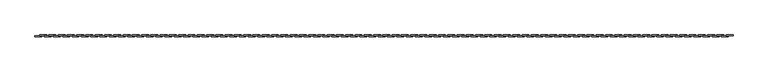
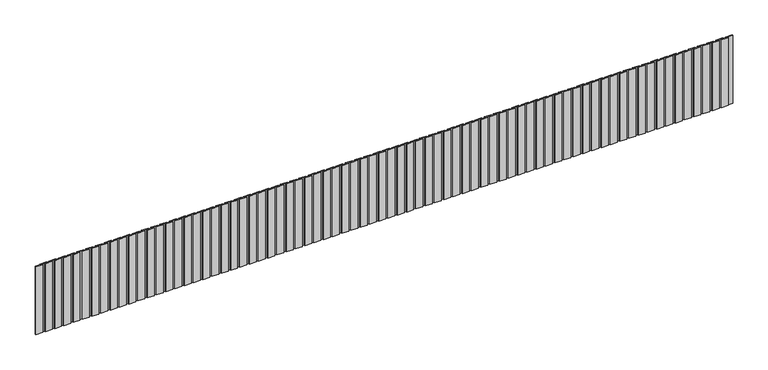
"""IFC4 building model written with IfcOpenShell, lengths in millimetres: geographic element geometry."""

import ifcopenshell
import ifcopenshell.guid

model = None  # the IFC model being written
_history = None  # IfcOwnerHistory: only IFC2X3 demands one
_inside = {}  # id of a spatial element -> (the spatial element, [elements in it])
_under = {}  # id of a project, library or spatial element -> (it, [spatial elements below it])
_declared = {}  # id of a project -> (the project, [libraries it declares])
_typed = {}  # id of a type object -> (the type object, [elements of that type])
_made_of = {}  # id of a material, layer set ... -> (it, [elements and type objects made of it])


def new_model(schema):
    """Start an empty IFC model of exactly this schema.

    Asked for "IFC4X3", IfcOpenShell would pick the latest addendum, in which some entities
    have other attributes; the version numbers below select the first issue.
    IFC2X3 requires an IfcOwnerHistory on every rooted entity: one is made here for all.
    """
    global model, _history
    if schema == "IFC4X3":
        model = ifcopenshell.file(schema_version=(4, 3, 0, 0))
    else:
        model = ifcopenshell.file(schema=schema)
    _inside.clear()
    _under.clear()
    _declared.clear()
    _typed.clear()
    _made_of.clear()
    _history = None
    if model.schema == "IFC2X3":
        org = make("IfcOrganization", Name="unknown")
        user = make(
            "IfcPersonAndOrganization",
            ThePerson=make("IfcPerson", FamilyName="unknown"),
            TheOrganization=org,
        )
        app = make(
            "IfcApplication",
            ApplicationDeveloper=org,
            Version="unknown",
            ApplicationFullName="unknown",
            ApplicationIdentifier="unknown",
        )
        _history = make(
            "IfcOwnerHistory",
            OwningUser=user,
            OwningApplication=app,
            ChangeAction="ADDED",
            CreationDate=0,
        )
    return model


def make(cls, **values):
    """One entity of the class cls with the attributes given. An attribute that is None is left unset."""
    return model.create_entity(
        cls, **{name: value for name, value in values.items() if value is not None}
    )


def rooted(cls, **values):
    """An entity with a GlobalId (a new one), such as an element, a storey or a relation."""
    return make(cls, GlobalId=ifcopenshell.guid.new(), OwnerHistory=_history, **values)


def si_unit(unit_type, name, prefix=None):
    """IfcSIUnit, for example si_unit("LENGTHUNIT", "METRE", prefix="MILLI")."""
    return make("IfcSIUnit", UnitType=unit_type, Prefix=prefix, Name=name)


def assignment(units):
    """IfcUnitAssignment: the units of a project."""
    return None if units is None else make("IfcUnitAssignment", Units=units)


def point(xyz):
    """IfcCartesianPoint."""
    return None if xyz is None else make("IfcCartesianPoint", Coordinates=xyz)


def direction(xyz):
    """IfcDirection."""
    return None if xyz is None else make("IfcDirection", DirectionRatios=xyz)


def frame(location, z_axis=None, x_axis=None):
    """IfcAxis2Placement3D, a coordinate frame: its origin and axes. An axis left out is left unset."""
    return make(
        "IfcAxis2Placement3D",
        Location=point(location),
        Axis=direction(z_axis),
        RefDirection=direction(x_axis),
    )


def origin():
    """The frame at (0, 0, 0) with its axes left unset."""
    return frame((0.0, 0.0, 0.0))


def place(relative_to, where):
    """IfcLocalPlacement: puts the frame where relative to a parent placement (None: the world)."""
    return make(
        "IfcLocalPlacement", PlacementRelTo=relative_to, RelativePlacement=where
    )


def context(
    kind, dimensions, precision=None, world=None, true_north=None, identifier=None
):
    """IfcGeometricRepresentationContext, for example the 3D "Model" context."""
    return make(
        "IfcGeometricRepresentationContext",
        ContextIdentifier=identifier,
        ContextType=kind,
        CoordinateSpaceDimension=dimensions,
        Precision=precision,
        WorldCoordinateSystem=world,
        TrueNorth=true_north,
    )


def project(units=None, contexts=None):
    """IfcProject with its units and contexts."""
    return rooted(
        "IfcProject",
        Name="project",
        RepresentationContexts=contexts,
        UnitsInContext=assignment(units),
    )


def spatial(cls, under=None, at=None, **own):
    """A site, building, storey or space (cls), placed at a placement, below another one or the project."""
    s = rooted(cls, ObjectPlacement=at, **own)
    if under is not None:
        _under.setdefault(under.id(), (under, []))[1].append(s)
    return s


def polyline(points):
    """IfcPolyline through the points."""
    return make("IfcPolyline", Points=[point(p) for p in points])


def outline(outer, holes=None, kind="AREA"):
    """IfcArbitraryClosedProfileDef: a profile drawn as a closed curve; with holes, ...WithVoids."""
    if holes is None:
        return make("IfcArbitraryClosedProfileDef", ProfileType=kind, OuterCurve=outer)
    return make(
        "IfcArbitraryProfileDefWithVoids",
        ProfileType=kind,
        OuterCurve=outer,
        InnerCurves=holes,
    )


def extrude(swept, where, along, depth):
    """IfcExtrudedAreaSolid: the profile swept, set in the frame where, extruded along a direction by depth."""
    return make(
        "IfcExtrudedAreaSolid",
        SweptArea=swept,
        Position=where,
        ExtrudedDirection=direction(along),
        Depth=depth,
    )


def shape(context_of_items, identifier, shape_type, items):
    """IfcShapeRepresentation: the items that make up one representation, for example the "Body"."""
    return make(
        "IfcShapeRepresentation",
        ContextOfItems=context_of_items,
        RepresentationIdentifier=identifier,
        RepresentationType=shape_type,
        Items=items,
    )


def source(mapping_origin, context_of_items, identifier, shape_type, items):
    """IfcRepresentationMap: a shape defined once, which mapped items show again and again."""
    return make(
        "IfcRepresentationMap",
        MappingOrigin=mapping_origin,
        MappedRepresentation=shape(context_of_items, identifier, shape_type, items),
    )


def transform(
    local_origin,
    x_axis=None,
    y_axis=None,
    z_axis=None,
    scale=None,
    scale2=None,
    scale3=None,
    uniform=True,
):
    """IfcCartesianTransformationOperator3D, or its non-uniform kind. x_axis, y_axis, z_axis: its Axis1, 2, 3."""
    if uniform:
        return make(
            "IfcCartesianTransformationOperator3D",
            Axis1=direction(x_axis),
            Axis2=direction(y_axis),
            LocalOrigin=point(local_origin),
            Scale=scale,
            Axis3=direction(z_axis),
        )
    return make(
        "IfcCartesianTransformationOperator3DnonUniform",
        Axis1=direction(x_axis),
        Axis2=direction(y_axis),
        LocalOrigin=point(local_origin),
        Scale=scale,
        Axis3=direction(z_axis),
        Scale2=scale2,
        Scale3=scale3,
    )


def mapped(mapping_source, mapping_target):
    """IfcMappedItem: shows the shape of a source again, moved by a transform."""
    return make(
        "IfcMappedItem", MappingSource=mapping_source, MappingTarget=mapping_target
    )


def made_of(thing, what):
    """Note that an element or type object is made of a material, layer set ...; save() writes the relation."""
    if what is not None:
        _made_of.setdefault(what.id(), (what, []))[1].append(thing)
    return thing


def element(
    cls,
    number,
    at=None,
    inside=None,
    cuts=None,
    type_object=None,
    material=None,
    context=None,
    identifier="Body",
    shape_type=None,
    held_by="IfcProductDefinitionShape",
    body=None,
    shapes=None,
    **own,
):
    """One element of the class cls, such as IfcWall. Its Tag is "e" and its number.

    at: its placement. inside: the storey or other place that contains it. cuts: it is an
    opening in that element (IfcRelVoidsElement). A single representation is given by context,
    identifier, shape_type and body (its items); several are given by shapes. held_by: the class
    of the entity that holds the representations. save() writes the other relations.
    """
    e = rooted(cls, Tag="e%d" % number, ObjectPlacement=at, **own)
    if body is not None:
        shapes = [shape(context, identifier, shape_type, body)]
    if shapes is not None:
        e.Representation = make(held_by, Representations=shapes)
    if inside is not None:
        _inside.setdefault(inside.id(), (inside, []))[1].append(e)
    if cuts is not None:
        rooted(
            "IfcRelVoidsElement", RelatingBuildingElement=cuts, RelatedOpeningElement=e
        )
    if type_object is not None:
        _typed.setdefault(type_object.id(), (type_object, []))[1].append(e)
    return made_of(e, material)


def aggregate(whole, parts):
    """IfcRelAggregates: a whole, such as a stair, and the parts it consists of."""
    return rooted("IfcRelAggregates", RelatingObject=whole, RelatedObjects=parts)


def save(model, path):
    """Write the relations noted so far, then the file.

    IfcRelAggregates (storeys below a building ...), IfcRelContainedInSpatialStructure (elements
    in a storey), IfcRelDefinesByType, IfcRelAssociatesMaterial and IfcRelDeclares: one each for
    every whole, place, type object, material and project.
    """
    for whole, parts in _under.values():
        aggregate(whole, parts)
    for where, things in _inside.values():
        rooted(
            "IfcRelContainedInSpatialStructure",
            RelatedElements=things,
            RelatingStructure=where,
        )
    for kind, things in _typed.values():
        rooted("IfcRelDefinesByType", RelatedObjects=things, RelatingType=kind)
    for what, things in _made_of.values():
        rooted("IfcRelAssociatesMaterial", RelatedObjects=things, RelatingMaterial=what)
    for by, libraries in _declared.values():
        rooted("IfcRelDeclares", RelatingContext=by, RelatedDefinitions=libraries)
    model.write(path)


def geographic_element_c682d365(model_context):
    return source(origin(), model_context, "Body", "SweptSolid", [
        extrude(outline(polyline([(46050.6871344, 20.0), (45900.3435672, 20.0), (45900.3435672, 40.0), (46050.6871344, 40.0), (46050.6871344, 20.0)])), frame((0.0, 0.0, 200.0), z_axis=(0.0, 0.0, 1.0), x_axis=(1.0, 0.0, 0.0)), (0.0, 0.0, 1.0), 1550.0),
        extrude(outline(polyline([(45950.3435672, 0.0), (45800.0, 0.0), (45800.0, 20.0), (45950.3435672, 20.0), (45950.3435672, 0.0)])), frame((0.0, 0.0, 200.0), z_axis=(0.0, 0.0, 1.0), x_axis=(1.0, 0.0, 0.0)), (0.0, 0.0, 1.0), 1550.0),
        extrude(outline(polyline([(45850.6871344, 20.0), (45700.3435672, 20.0), (45700.3435672, 40.0), (45850.6871344, 40.0), (45850.6871344, 20.0)])), frame((0.0, 0.0, 200.0), z_axis=(0.0, 0.0, 1.0), x_axis=(1.0, 0.0, 0.0)), (0.0, 0.0, 1.0), 1550.0),
        extrude(outline(polyline([(45750.3435672, 0.0), (45600.0, 0.0), (45600.0, 20.0), (45750.3435672, 20.0), (45750.3435672, 0.0)])), frame((0.0, 0.0, 200.0), z_axis=(0.0, 0.0, 1.0), x_axis=(1.0, 0.0, 0.0)), (0.0, 0.0, 1.0), 1550.0),
        extrude(outline(polyline([(45650.6871344, 20.0), (45500.3435672, 20.0), (45500.3435672, 40.0), (45650.6871344, 40.0), (45650.6871344, 20.0)])), frame((0.0, 0.0, 200.0), z_axis=(0.0, 0.0, 1.0), x_axis=(1.0, 0.0, 0.0)), (0.0, 0.0, 1.0), 1550.0),
        extrude(outline(polyline([(45550.3435672, 0.0), (45400.0, 0.0), (45400.0, 20.0), (45550.3435672, 20.0), (45550.3435672, 0.0)])), frame((0.0, 0.0, 200.0), z_axis=(0.0, 0.0, 1.0), x_axis=(1.0, 0.0, 0.0)), (0.0, 0.0, 1.0), 1550.0),
        extrude(outline(polyline([(45450.6871344, 20.0), (45300.3435672, 20.0), (45300.3435672, 40.0), (45450.6871344, 40.0), (45450.6871344, 20.0)])), frame((0.0, 0.0, 200.0), z_axis=(0.0, 0.0, 1.0), x_axis=(1.0, 0.0, 0.0)), (0.0, 0.0, 1.0), 1550.0),
        extrude(outline(polyline([(45350.3435672, 0.0), (45200.0, 0.0), (45200.0, 20.0), (45350.3435672, 20.0), (45350.3435672, 0.0)])), frame((0.0, 0.0, 200.0), z_axis=(0.0, 0.0, 1.0), x_axis=(1.0, 0.0, 0.0)), (0.0, 0.0, 1.0), 1550.0),
        extrude(outline(polyline([(45250.6871344, 20.0), (45100.3435672, 20.0), (45100.3435672, 40.0), (45250.6871344, 40.0), (45250.6871344, 20.0)])), frame((0.0, 0.0, 200.0), z_axis=(0.0, 0.0, 1.0), x_axis=(1.0, 0.0, 0.0)), (0.0, 0.0, 1.0), 1550.0),
        extrude(outline(polyline([(45150.3435672, 0.0), (45000.0, 0.0), (45000.0, 20.0), (45150.3435672, 20.0), (45150.3435672, 0.0)])), frame((0.0, 0.0, 200.0), z_axis=(0.0, 0.0, 1.0), x_axis=(1.0, 0.0, 0.0)), (0.0, 0.0, 1.0), 1550.0),
        extrude(outline(polyline([(45050.6871344, 20.0), (44900.3435672, 20.0), (44900.3435672, 40.0), (45050.6871344, 40.0), (45050.6871344, 20.0)])), frame((0.0, 0.0, 200.0), z_axis=(0.0, 0.0, 1.0), x_axis=(1.0, 0.0, 0.0)), (0.0, 0.0, 1.0), 1550.0),
        extrude(outline(polyline([(44950.3435672, 0.0), (44800.0, 0.0), (44800.0, 20.0), (44950.3435672, 20.0), (44950.3435672, 0.0)])), frame((0.0, 0.0, 200.0), z_axis=(0.0, 0.0, 1.0), x_axis=(1.0, 0.0, 0.0)), (0.0, 0.0, 1.0), 1550.0),
        extrude(outline(polyline([(44850.6871344, 20.0), (44700.3435672, 20.0), (44700.3435672, 40.0), (44850.6871344, 40.0), (44850.6871344, 20.0)])), frame((0.0, 0.0, 200.0), z_axis=(0.0, 0.0, 1.0), x_axis=(1.0, 0.0, 0.0)), (0.0, 0.0, 1.0), 1550.0),
        extrude(outline(polyline([(44750.3435672, 0.0), (44600.0, 0.0), (44600.0, 20.0), (44750.3435672, 20.0), (44750.3435672, 0.0)])), frame((0.0, 0.0, 200.0), z_axis=(0.0, 0.0, 1.0), x_axis=(1.0, 0.0, 0.0)), (0.0, 0.0, 1.0), 1550.0),
        extrude(outline(polyline([(44650.6871344, 20.0), (44500.3435672, 20.0), (44500.3435672, 40.0), (44650.6871344, 40.0), (44650.6871344, 20.0)])), frame((0.0, 0.0, 200.0), z_axis=(0.0, 0.0, 1.0), x_axis=(1.0, 0.0, 0.0)), (0.0, 0.0, 1.0), 1550.0),
        extrude(outline(polyline([(44550.3435672, 0.0), (44400.0, 0.0), (44400.0, 20.0), (44550.3435672, 20.0), (44550.3435672, 0.0)])), frame((0.0, 0.0, 200.0), z_axis=(0.0, 0.0, 1.0), x_axis=(1.0, 0.0, 0.0)), (0.0, 0.0, 1.0), 1550.0),
        extrude(outline(polyline([(44450.6871344, 20.0), (44300.3435672, 20.0), (44300.3435672, 40.0), (44450.6871344, 40.0), (44450.6871344, 20.0)])), frame((0.0, 0.0, 200.0), z_axis=(0.0, 0.0, 1.0), x_axis=(1.0, 0.0, 0.0)), (0.0, 0.0, 1.0), 1550.0),
        extrude(outline(polyline([(44350.3435672, 0.0), (44200.0, 0.0), (44200.0, 20.0), (44350.3435672, 20.0), (44350.3435672, 0.0)])), frame((0.0, 0.0, 200.0), z_axis=(0.0, 0.0, 1.0), x_axis=(1.0, 0.0, 0.0)), (0.0, 0.0, 1.0), 1550.0),
        extrude(outline(polyline([(44250.6871344, 20.0), (44100.3435672, 20.0), (44100.3435672, 40.0), (44250.6871344, 40.0), (44250.6871344, 20.0)])), frame((0.0, 0.0, 200.0), z_axis=(0.0, 0.0, 1.0), x_axis=(1.0, 0.0, 0.0)), (0.0, 0.0, 1.0), 1550.0),
        extrude(outline(polyline([(44150.3435672, 0.0), (44000.0, 0.0), (44000.0, 20.0), (44150.3435672, 20.0), (44150.3435672, 0.0)])), frame((0.0, 0.0, 200.0), z_axis=(0.0, 0.0, 1.0), x_axis=(1.0, 0.0, 0.0)), (0.0, 0.0, 1.0), 1550.0),
        extrude(outline(polyline([(44050.6871344, 20.0), (43900.3435672, 20.0), (43900.3435672, 40.0), (44050.6871344, 40.0), (44050.6871344, 20.0)])), frame((0.0, 0.0, 200.0), z_axis=(0.0, 0.0, 1.0), x_axis=(1.0, 0.0, 0.0)), (0.0, 0.0, 1.0), 1550.0),
        extrude(outline(polyline([(43950.3435672, 0.0), (43800.0, 0.0), (43800.0, 20.0), (43950.3435672, 20.0), (43950.3435672, 0.0)])), frame((0.0, 0.0, 200.0), z_axis=(0.0, 0.0, 1.0), x_axis=(1.0, 0.0, 0.0)), (0.0, 0.0, 1.0), 1550.0),
        extrude(outline(polyline([(43850.6871344, 20.0), (43700.3435672, 20.0), (43700.3435672, 40.0), (43850.6871344, 40.0), (43850.6871344, 20.0)])), frame((0.0, 0.0, 200.0), z_axis=(0.0, 0.0, 1.0), x_axis=(1.0, 0.0, 0.0)), (0.0, 0.0, 1.0), 1550.0),
        extrude(outline(polyline([(43750.3435672, 0.0), (43600.0, 0.0), (43600.0, 20.0), (43750.3435672, 20.0), (43750.3435672, 0.0)])), frame((0.0, 0.0, 200.0), z_axis=(0.0, 0.0, 1.0), x_axis=(1.0, 0.0, 0.0)), (0.0, 0.0, 1.0), 1550.0),
        extrude(outline(polyline([(43650.6871344, 20.0), (43500.3435672, 20.0), (43500.3435672, 40.0), (43650.6871344, 40.0), (43650.6871344, 20.0)])), frame((0.0, 0.0, 200.0), z_axis=(0.0, 0.0, 1.0), x_axis=(1.0, 0.0, 0.0)), (0.0, 0.0, 1.0), 1550.0),
        extrude(outline(polyline([(43550.3435672, 0.0), (43400.0, 0.0), (43400.0, 20.0), (43550.3435672, 20.0), (43550.3435672, 0.0)])), frame((0.0, 0.0, 200.0), z_axis=(0.0, 0.0, 1.0), x_axis=(1.0, 0.0, 0.0)), (0.0, 0.0, 1.0), 1550.0),
        extrude(outline(polyline([(43450.6871344, 20.0), (43300.3435672, 20.0), (43300.3435672, 40.0), (43450.6871344, 40.0), (43450.6871344, 20.0)])), frame((0.0, 0.0, 200.0), z_axis=(0.0, 0.0, 1.0), x_axis=(1.0, 0.0, 0.0)), (0.0, 0.0, 1.0), 1550.0),
        extrude(outline(polyline([(43350.3435672, 0.0), (43200.0, 0.0), (43200.0, 20.0), (43350.3435672, 20.0), (43350.3435672, 0.0)])), frame((0.0, 0.0, 200.0), z_axis=(0.0, 0.0, 1.0), x_axis=(1.0, 0.0, 0.0)), (0.0, 0.0, 1.0), 1550.0),
        extrude(outline(polyline([(43250.6871344, 20.0), (43100.3435672, 20.0), (43100.3435672, 40.0), (43250.6871344, 40.0), (43250.6871344, 20.0)])), frame((0.0, 0.0, 200.0), z_axis=(0.0, 0.0, 1.0), x_axis=(1.0, 0.0, 0.0)), (0.0, 0.0, 1.0), 1550.0),
        extrude(outline(polyline([(43150.3435672, 0.0), (43000.0, 0.0), (43000.0, 20.0), (43150.3435672, 20.0), (43150.3435672, 0.0)])), frame((0.0, 0.0, 200.0), z_axis=(0.0, 0.0, 1.0), x_axis=(1.0, 0.0, 0.0)), (0.0, 0.0, 1.0), 1550.0),
        extrude(outline(polyline([(43050.6871344, 20.0), (42900.3435672, 20.0), (42900.3435672, 40.0), (43050.6871344, 40.0), (43050.6871344, 20.0)])), frame((0.0, 0.0, 200.0), z_axis=(0.0, 0.0, 1.0), x_axis=(1.0, 0.0, 0.0)), (0.0, 0.0, 1.0), 1550.0),
        extrude(outline(polyline([(42950.3435672, 0.0), (42800.0, 0.0), (42800.0, 20.0), (42950.3435672, 20.0), (42950.3435672, 0.0)])), frame((0.0, 0.0, 200.0), z_axis=(0.0, 0.0, 1.0), x_axis=(1.0, 0.0, 0.0)), (0.0, 0.0, 1.0), 1550.0),
        extrude(outline(polyline([(42850.6871344, 20.0), (42700.3435672, 20.0), (42700.3435672, 40.0), (42850.6871344, 40.0), (42850.6871344, 20.0)])), frame((0.0, 0.0, 200.0), z_axis=(0.0, 0.0, 1.0), x_axis=(1.0, 0.0, 0.0)), (0.0, 0.0, 1.0), 1550.0),
        extrude(outline(polyline([(42750.3435672, 0.0), (42600.0, 0.0), (42600.0, 20.0), (42750.3435672, 20.0), (42750.3435672, 0.0)])), frame((0.0, 0.0, 200.0), z_axis=(0.0, 0.0, 1.0), x_axis=(1.0, 0.0, 0.0)), (0.0, 0.0, 1.0), 1550.0),
        extrude(outline(polyline([(42650.6871344, 20.0), (42500.3435672, 20.0), (42500.3435672, 40.0), (42650.6871344, 40.0), (42650.6871344, 20.0)])), frame((0.0, 0.0, 200.0), z_axis=(0.0, 0.0, 1.0), x_axis=(1.0, 0.0, 0.0)), (0.0, 0.0, 1.0), 1550.0),
        extrude(outline(polyline([(42550.3435672, 0.0), (42400.0, 0.0), (42400.0, 20.0), (42550.3435672, 20.0), (42550.3435672, 0.0)])), frame((0.0, 0.0, 200.0), z_axis=(0.0, 0.0, 1.0), x_axis=(1.0, 0.0, 0.0)), (0.0, 0.0, 1.0), 1550.0),
        extrude(outline(polyline([(42450.6871344, 20.0), (42300.3435672, 20.0), (42300.3435672, 40.0), (42450.6871344, 40.0), (42450.6871344, 20.0)])), frame((0.0, 0.0, 200.0), z_axis=(0.0, 0.0, 1.0), x_axis=(1.0, 0.0, 0.0)), (0.0, 0.0, 1.0), 1550.0),
        extrude(outline(polyline([(42350.3435672, 0.0), (42200.0, 0.0), (42200.0, 20.0), (42350.3435672, 20.0), (42350.3435672, 0.0)])), frame((0.0, 0.0, 200.0), z_axis=(0.0, 0.0, 1.0), x_axis=(1.0, 0.0, 0.0)), (0.0, 0.0, 1.0), 1550.0),
        extrude(outline(polyline([(42250.6871344, 20.0), (42100.3435672, 20.0), (42100.3435672, 40.0), (42250.6871344, 40.0), (42250.6871344, 20.0)])), frame((0.0, 0.0, 200.0), z_axis=(0.0, 0.0, 1.0), x_axis=(1.0, 0.0, 0.0)), (0.0, 0.0, 1.0), 1550.0),
        extrude(outline(polyline([(42150.3435672, 0.0), (42000.0, 0.0), (42000.0, 20.0), (42150.3435672, 20.0), (42150.3435672, 0.0)])), frame((0.0, 0.0, 200.0), z_axis=(0.0, 0.0, 1.0), x_axis=(1.0, 0.0, 0.0)), (0.0, 0.0, 1.0), 1550.0),
        extrude(outline(polyline([(42050.6871344, 20.0), (41900.3435672, 20.0), (41900.3435672, 40.0), (42050.6871344, 40.0), (42050.6871344, 20.0)])), frame((0.0, 0.0, 200.0), z_axis=(0.0, 0.0, 1.0), x_axis=(1.0, 0.0, 0.0)), (0.0, 0.0, 1.0), 1550.0),
        extrude(outline(polyline([(41950.3435672, 0.0), (41800.0, 0.0), (41800.0, 20.0), (41950.3435672, 20.0), (41950.3435672, 0.0)])), frame((0.0, 0.0, 200.0), z_axis=(0.0, 0.0, 1.0), x_axis=(1.0, 0.0, 0.0)), (0.0, 0.0, 1.0), 1550.0),
        extrude(outline(polyline([(41850.6871344, 20.0), (41700.3435672, 20.0), (41700.3435672, 40.0), (41850.6871344, 40.0), (41850.6871344, 20.0)])), frame((0.0, 0.0, 200.0), z_axis=(0.0, 0.0, 1.0), x_axis=(1.0, 0.0, 0.0)), (0.0, 0.0, 1.0), 1550.0),
        extrude(outline(polyline([(41750.3435672, 0.0), (41600.0, 0.0), (41600.0, 20.0), (41750.3435672, 20.0), (41750.3435672, 0.0)])), frame((0.0, 0.0, 200.0), z_axis=(0.0, 0.0, 1.0), x_axis=(1.0, 0.0, 0.0)), (0.0, 0.0, 1.0), 1550.0),
        extrude(outline(polyline([(41650.6871344, 20.0), (41500.3435672, 20.0), (41500.3435672, 40.0), (41650.6871344, 40.0), (41650.6871344, 20.0)])), frame((0.0, 0.0, 200.0), z_axis=(0.0, 0.0, 1.0), x_axis=(1.0, 0.0, 0.0)), (0.0, 0.0, 1.0), 1550.0),
        extrude(outline(polyline([(41550.3435672, 0.0), (41400.0, 0.0), (41400.0, 20.0), (41550.3435672, 20.0), (41550.3435672, 0.0)])), frame((0.0, 0.0, 200.0), z_axis=(0.0, 0.0, 1.0), x_axis=(1.0, 0.0, 0.0)), (0.0, 0.0, 1.0), 1550.0),
        extrude(outline(polyline([(41450.6871344, 20.0), (41300.3435672, 20.0), (41300.3435672, 40.0), (41450.6871344, 40.0), (41450.6871344, 20.0)])), frame((0.0, 0.0, 200.0), z_axis=(0.0, 0.0, 1.0), x_axis=(1.0, 0.0, 0.0)), (0.0, 0.0, 1.0), 1550.0),
        extrude(outline(polyline([(41350.3435672, 0.0), (41200.0, 0.0), (41200.0, 20.0), (41350.3435672, 20.0), (41350.3435672, 0.0)])), frame((0.0, 0.0, 200.0), z_axis=(0.0, 0.0, 1.0), x_axis=(1.0, 0.0, 0.0)), (0.0, 0.0, 1.0), 1550.0),
        extrude(outline(polyline([(41250.6871344, 20.0), (41100.3435672, 20.0), (41100.3435672, 40.0), (41250.6871344, 40.0), (41250.6871344, 20.0)])), frame((0.0, 0.0, 200.0), z_axis=(0.0, 0.0, 1.0), x_axis=(1.0, 0.0, 0.0)), (0.0, 0.0, 1.0), 1550.0),
        extrude(outline(polyline([(41150.3435672, 0.0), (41000.0, 0.0), (41000.0, 20.0), (41150.3435672, 20.0), (41150.3435672, 0.0)])), frame((0.0, 0.0, 200.0), z_axis=(0.0, 0.0, 1.0), x_axis=(1.0, 0.0, 0.0)), (0.0, 0.0, 1.0), 1550.0),
        extrude(outline(polyline([(41050.6871344, 20.0), (40900.3435672, 20.0), (40900.3435672, 40.0), (41050.6871344, 40.0), (41050.6871344, 20.0)])), frame((0.0, 0.0, 200.0), z_axis=(0.0, 0.0, 1.0), x_axis=(1.0, 0.0, 0.0)), (0.0, 0.0, 1.0), 1550.0),
        extrude(outline(polyline([(40950.3435672, 0.0), (40800.0, 0.0), (40800.0, 20.0), (40950.3435672, 20.0), (40950.3435672, 0.0)])), frame((0.0, 0.0, 200.0), z_axis=(0.0, 0.0, 1.0), x_axis=(1.0, 0.0, 0.0)), (0.0, 0.0, 1.0), 1550.0),
        extrude(outline(polyline([(40850.6871344, 20.0), (40700.3435672, 20.0), (40700.3435672, 40.0), (40850.6871344, 40.0), (40850.6871344, 20.0)])), frame((0.0, 0.0, 200.0), z_axis=(0.0, 0.0, 1.0), x_axis=(1.0, 0.0, 0.0)), (0.0, 0.0, 1.0), 1550.0),
        extrude(outline(polyline([(40750.3435672, 0.0), (40600.0, 0.0), (40600.0, 20.0), (40750.3435672, 20.0), (40750.3435672, 0.0)])), frame((0.0, 0.0, 200.0), z_axis=(0.0, 0.0, 1.0), x_axis=(1.0, 0.0, 0.0)), (0.0, 0.0, 1.0), 1550.0),
        extrude(outline(polyline([(40650.6871344, 20.0), (40500.3435672, 20.0), (40500.3435672, 40.0), (40650.6871344, 40.0), (40650.6871344, 20.0)])), frame((0.0, 0.0, 200.0), z_axis=(0.0, 0.0, 1.0), x_axis=(1.0, 0.0, 0.0)), (0.0, 0.0, 1.0), 1550.0),
        extrude(outline(polyline([(40550.3435672, 0.0), (40400.0, 0.0), (40400.0, 20.0), (40550.3435672, 20.0), (40550.3435672, 0.0)])), frame((0.0, 0.0, 200.0), z_axis=(0.0, 0.0, 1.0), x_axis=(1.0, 0.0, 0.0)), (0.0, 0.0, 1.0), 1550.0),
        extrude(outline(polyline([(40450.6871344, 20.0), (40300.3435672, 20.0), (40300.3435672, 40.0), (40450.6871344, 40.0), (40450.6871344, 20.0)])), frame((0.0, 0.0, 200.0), z_axis=(0.0, 0.0, 1.0), x_axis=(1.0, 0.0, 0.0)), (0.0, 0.0, 1.0), 1550.0),
        extrude(outline(polyline([(40350.3435672, 0.0), (40200.0, 0.0), (40200.0, 20.0), (40350.3435672, 20.0), (40350.3435672, 0.0)])), frame((0.0, 0.0, 200.0), z_axis=(0.0, 0.0, 1.0), x_axis=(1.0, 0.0, 0.0)), (0.0, 0.0, 1.0), 1550.0),
        extrude(outline(polyline([(40250.6871344, 20.0), (40100.3435672, 20.0), (40100.3435672, 40.0), (40250.6871344, 40.0), (40250.6871344, 20.0)])), frame((0.0, 0.0, 200.0), z_axis=(0.0, 0.0, 1.0), x_axis=(1.0, 0.0, 0.0)), (0.0, 0.0, 1.0), 1550.0),
        extrude(outline(polyline([(40150.3435672, 0.0), (40000.0, 0.0), (40000.0, 20.0), (40150.3435672, 20.0), (40150.3435672, 0.0)])), frame((0.0, 0.0, 200.0), z_axis=(0.0, 0.0, 1.0), x_axis=(1.0, 0.0, 0.0)), (0.0, 0.0, 1.0), 1550.0),
        extrude(outline(polyline([(40050.6871344, 20.0), (39900.3435672, 20.0), (39900.3435672, 40.0), (40050.6871344, 40.0), (40050.6871344, 20.0)])), frame((0.0, 0.0, 200.0), z_axis=(0.0, 0.0, 1.0), x_axis=(1.0, 0.0, 0.0)), (0.0, 0.0, 1.0), 1550.0),
        extrude(outline(polyline([(39950.3435672, 0.0), (39800.0, 0.0), (39800.0, 20.0), (39950.3435672, 20.0), (39950.3435672, 0.0)])), frame((0.0, 0.0, 200.0), z_axis=(0.0, 0.0, 1.0), x_axis=(1.0, 0.0, 0.0)), (0.0, 0.0, 1.0), 1550.0),
        extrude(outline(polyline([(39850.6871344, 20.0), (39700.3435672, 20.0), (39700.3435672, 40.0), (39850.6871344, 40.0), (39850.6871344, 20.0)])), frame((0.0, 0.0, 200.0), z_axis=(0.0, 0.0, 1.0), x_axis=(1.0, 0.0, 0.0)), (0.0, 0.0, 1.0), 1550.0),
        extrude(outline(polyline([(39750.3435672, 0.0), (39600.0, 0.0), (39600.0, 20.0), (39750.3435672, 20.0), (39750.3435672, 0.0)])), frame((0.0, 0.0, 200.0), z_axis=(0.0, 0.0, 1.0), x_axis=(1.0, 0.0, 0.0)), (0.0, 0.0, 1.0), 1550.0),
        extrude(outline(polyline([(39650.6871344, 20.0), (39500.3435672, 20.0), (39500.3435672, 40.0), (39650.6871344, 40.0), (39650.6871344, 20.0)])), frame((0.0, 0.0, 200.0), z_axis=(0.0, 0.0, 1.0), x_axis=(1.0, 0.0, 0.0)), (0.0, 0.0, 1.0), 1550.0),
        extrude(outline(polyline([(39550.3435672, 0.0), (39400.0, 0.0), (39400.0, 20.0), (39550.3435672, 20.0), (39550.3435672, 0.0)])), frame((0.0, 0.0, 200.0), z_axis=(0.0, 0.0, 1.0), x_axis=(1.0, 0.0, 0.0)), (0.0, 0.0, 1.0), 1550.0),
        extrude(outline(polyline([(39450.6871344, 20.0), (39300.3435672, 20.0), (39300.3435672, 40.0), (39450.6871344, 40.0), (39450.6871344, 20.0)])), frame((0.0, 0.0, 200.0), z_axis=(0.0, 0.0, 1.0), x_axis=(1.0, 0.0, 0.0)), (0.0, 0.0, 1.0), 1550.0),
        extrude(outline(polyline([(39350.3435672, 0.0), (39200.0, 0.0), (39200.0, 20.0), (39350.3435672, 20.0), (39350.3435672, 0.0)])), frame((0.0, 0.0, 200.0), z_axis=(0.0, 0.0, 1.0), x_axis=(1.0, 0.0, 0.0)), (0.0, 0.0, 1.0), 1550.0),
        extrude(outline(polyline([(39250.6871344, 20.0), (39100.3435672, 20.0), (39100.3435672, 40.0), (39250.6871344, 40.0), (39250.6871344, 20.0)])), frame((0.0, 0.0, 200.0), z_axis=(0.0, 0.0, 1.0), x_axis=(1.0, 0.0, 0.0)), (0.0, 0.0, 1.0), 1550.0),
        extrude(outline(polyline([(39150.3435672, 0.0), (39000.0, 0.0), (39000.0, 20.0), (39150.3435672, 20.0), (39150.3435672, 0.0)])), frame((0.0, 0.0, 200.0), z_axis=(0.0, 0.0, 1.0), x_axis=(1.0, 0.0, 0.0)), (0.0, 0.0, 1.0), 1550.0),
        extrude(outline(polyline([(39050.6871344, 20.0), (38900.3435672, 20.0), (38900.3435672, 40.0), (39050.6871344, 40.0), (39050.6871344, 20.0)])), frame((0.0, 0.0, 200.0), z_axis=(0.0, 0.0, 1.0), x_axis=(1.0, 0.0, 0.0)), (0.0, 0.0, 1.0), 1550.0),
        extrude(outline(polyline([(38950.3435672, 0.0), (38800.0, 0.0), (38800.0, 20.0), (38950.3435672, 20.0), (38950.3435672, 0.0)])), frame((0.0, 0.0, 200.0), z_axis=(0.0, 0.0, 1.0), x_axis=(1.0, 0.0, 0.0)), (0.0, 0.0, 1.0), 1550.0),
        extrude(outline(polyline([(38850.6871344, 20.0), (38700.3435672, 20.0), (38700.3435672, 40.0), (38850.6871344, 40.0), (38850.6871344, 20.0)])), frame((0.0, 0.0, 200.0), z_axis=(0.0, 0.0, 1.0), x_axis=(1.0, 0.0, 0.0)), (0.0, 0.0, 1.0), 1550.0),
        extrude(outline(polyline([(38750.3435672, 0.0), (38600.0, 0.0), (38600.0, 20.0), (38750.3435672, 20.0), (38750.3435672, 0.0)])), frame((0.0, 0.0, 200.0), z_axis=(0.0, 0.0, 1.0), x_axis=(1.0, 0.0, 0.0)), (0.0, 0.0, 1.0), 1550.0),
        extrude(outline(polyline([(38650.6871344, 20.0), (38500.3435672, 20.0), (38500.3435672, 40.0), (38650.6871344, 40.0), (38650.6871344, 20.0)])), frame((0.0, 0.0, 200.0), z_axis=(0.0, 0.0, 1.0), x_axis=(1.0, 0.0, 0.0)), (0.0, 0.0, 1.0), 1550.0),
        extrude(outline(polyline([(38550.3435672, 0.0), (38400.0, 0.0), (38400.0, 20.0), (38550.3435672, 20.0), (38550.3435672, 0.0)])), frame((0.0, 0.0, 200.0), z_axis=(0.0, 0.0, 1.0), x_axis=(1.0, 0.0, 0.0)), (0.0, 0.0, 1.0), 1550.0),
        extrude(outline(polyline([(38450.6871344, 20.0), (38300.3435672, 20.0), (38300.3435672, 40.0), (38450.6871344, 40.0), (38450.6871344, 20.0)])), frame((0.0, 0.0, 200.0), z_axis=(0.0, 0.0, 1.0), x_axis=(1.0, 0.0, 0.0)), (0.0, 0.0, 1.0), 1550.0),
        extrude(outline(polyline([(38350.3435672, 0.0), (38200.0, 0.0), (38200.0, 20.0), (38350.3435672, 20.0), (38350.3435672, 0.0)])), frame((0.0, 0.0, 200.0), z_axis=(0.0, 0.0, 1.0), x_axis=(1.0, 0.0, 0.0)), (0.0, 0.0, 1.0), 1550.0),
        extrude(outline(polyline([(38250.6871344, 20.0), (38100.3435672, 20.0), (38100.3435672, 40.0), (38250.6871344, 40.0), (38250.6871344, 20.0)])), frame((0.0, 0.0, 200.0), z_axis=(0.0, 0.0, 1.0), x_axis=(1.0, 0.0, 0.0)), (0.0, 0.0, 1.0), 1550.0),
        extrude(outline(polyline([(38150.3435672, 0.0), (38000.0, 0.0), (38000.0, 20.0), (38150.3435672, 20.0), (38150.3435672, 0.0)])), frame((0.0, 0.0, 200.0), z_axis=(0.0, 0.0, 1.0), x_axis=(1.0, 0.0, 0.0)), (0.0, 0.0, 1.0), 1550.0),
        extrude(outline(polyline([(38050.6871344, 20.0), (37900.3435672, 20.0), (37900.3435672, 40.0), (38050.6871344, 40.0), (38050.6871344, 20.0)])), frame((0.0, 0.0, 200.0), z_axis=(0.0, 0.0, 1.0), x_axis=(1.0, 0.0, 0.0)), (0.0, 0.0, 1.0), 1550.0),
        extrude(outline(polyline([(37950.3435672, 0.0), (37800.0, 0.0), (37800.0, 20.0), (37950.3435672, 20.0), (37950.3435672, 0.0)])), frame((0.0, 0.0, 200.0), z_axis=(0.0, 0.0, 1.0), x_axis=(1.0, 0.0, 0.0)), (0.0, 0.0, 1.0), 1550.0),
        extrude(outline(polyline([(37850.6871344, 20.0), (37700.3435672, 20.0), (37700.3435672, 40.0), (37850.6871344, 40.0), (37850.6871344, 20.0)])), frame((0.0, 0.0, 200.0), z_axis=(0.0, 0.0, 1.0), x_axis=(1.0, 0.0, 0.0)), (0.0, 0.0, 1.0), 1550.0),
        extrude(outline(polyline([(37750.3435672, 0.0), (37600.0, 0.0), (37600.0, 20.0), (37750.3435672, 20.0), (37750.3435672, 0.0)])), frame((0.0, 0.0, 200.0), z_axis=(0.0, 0.0, 1.0), x_axis=(1.0, 0.0, 0.0)), (0.0, 0.0, 1.0), 1550.0),
        extrude(outline(polyline([(37650.6871344, 20.0), (37500.3435672, 20.0), (37500.3435672, 40.0), (37650.6871344, 40.0), (37650.6871344, 20.0)])), frame((0.0, 0.0, 200.0), z_axis=(0.0, 0.0, 1.0), x_axis=(1.0, 0.0, 0.0)), (0.0, 0.0, 1.0), 1550.0),
        extrude(outline(polyline([(37550.3435672, 0.0), (37400.0, 0.0), (37400.0, 20.0), (37550.3435672, 20.0), (37550.3435672, 0.0)])), frame((0.0, 0.0, 200.0), z_axis=(0.0, 0.0, 1.0), x_axis=(1.0, 0.0, 0.0)), (0.0, 0.0, 1.0), 1550.0),
        extrude(outline(polyline([(37450.6871344, 20.0), (37300.3435672, 20.0), (37300.3435672, 40.0), (37450.6871344, 40.0), (37450.6871344, 20.0)])), frame((0.0, 0.0, 200.0), z_axis=(0.0, 0.0, 1.0), x_axis=(1.0, 0.0, 0.0)), (0.0, 0.0, 1.0), 1550.0),
        extrude(outline(polyline([(37350.3435672, 0.0), (37200.0, 0.0), (37200.0, 20.0), (37350.3435672, 20.0), (37350.3435672, 0.0)])), frame((0.0, 0.0, 200.0), z_axis=(0.0, 0.0, 1.0), x_axis=(1.0, 0.0, 0.0)), (0.0, 0.0, 1.0), 1550.0),
        extrude(outline(polyline([(37250.6871344, 20.0), (37100.3435672, 20.0), (37100.3435672, 40.0), (37250.6871344, 40.0), (37250.6871344, 20.0)])), frame((0.0, 0.0, 200.0), z_axis=(0.0, 0.0, 1.0), x_axis=(1.0, 0.0, 0.0)), (0.0, 0.0, 1.0), 1550.0),
        extrude(outline(polyline([(37150.3435672, 0.0), (37000.0, 0.0), (37000.0, 20.0), (37150.3435672, 20.0), (37150.3435672, 0.0)])), frame((0.0, 0.0, 200.0), z_axis=(0.0, 0.0, 1.0), x_axis=(1.0, 0.0, 0.0)), (0.0, 0.0, 1.0), 1550.0),
        extrude(outline(polyline([(37050.6871344, 20.0), (36900.3435672, 20.0), (36900.3435672, 40.0), (37050.6871344, 40.0), (37050.6871344, 20.0)])), frame((0.0, 0.0, 200.0), z_axis=(0.0, 0.0, 1.0), x_axis=(1.0, 0.0, 0.0)), (0.0, 0.0, 1.0), 1550.0),
        extrude(outline(polyline([(36950.3435672, 0.0), (36800.0, 0.0), (36800.0, 20.0), (36950.3435672, 20.0), (36950.3435672, 0.0)])), frame((0.0, 0.0, 200.0), z_axis=(0.0, 0.0, 1.0), x_axis=(1.0, 0.0, 0.0)), (0.0, 0.0, 1.0), 1550.0),
        extrude(outline(polyline([(36850.6871344, 20.0), (36700.3435672, 20.0), (36700.3435672, 40.0), (36850.6871344, 40.0), (36850.6871344, 20.0)])), frame((0.0, 0.0, 200.0), z_axis=(0.0, 0.0, 1.0), x_axis=(1.0, 0.0, 0.0)), (0.0, 0.0, 1.0), 1550.0),
        extrude(outline(polyline([(36750.3435672, 0.0), (36600.0, 0.0), (36600.0, 20.0), (36750.3435672, 20.0), (36750.3435672, 0.0)])), frame((0.0, 0.0, 200.0), z_axis=(0.0, 0.0, 1.0), x_axis=(1.0, 0.0, 0.0)), (0.0, 0.0, 1.0), 1550.0),
        extrude(outline(polyline([(36650.6871344, 20.0), (36500.3435672, 20.0), (36500.3435672, 40.0), (36650.6871344, 40.0), (36650.6871344, 20.0)])), frame((0.0, 0.0, 200.0), z_axis=(0.0, 0.0, 1.0), x_axis=(1.0, 0.0, 0.0)), (0.0, 0.0, 1.0), 1550.0),
        extrude(outline(polyline([(36550.3435672, 0.0), (36400.0, 0.0), (36400.0, 20.0), (36550.3435672, 20.0), (36550.3435672, 0.0)])), frame((0.0, 0.0, 200.0), z_axis=(0.0, 0.0, 1.0), x_axis=(1.0, 0.0, 0.0)), (0.0, 0.0, 1.0), 1550.0),
        extrude(outline(polyline([(36450.6871344, 20.0), (36300.3435672, 20.0), (36300.3435672, 40.0), (36450.6871344, 40.0), (36450.6871344, 20.0)])), frame((0.0, 0.0, 200.0), z_axis=(0.0, 0.0, 1.0), x_axis=(1.0, 0.0, 0.0)), (0.0, 0.0, 1.0), 1550.0),
        extrude(outline(polyline([(36350.3435672, 0.0), (36200.0, 0.0), (36200.0, 20.0), (36350.3435672, 20.0), (36350.3435672, 0.0)])), frame((0.0, 0.0, 200.0), z_axis=(0.0, 0.0, 1.0), x_axis=(1.0, 0.0, 0.0)), (0.0, 0.0, 1.0), 1550.0),
        extrude(outline(polyline([(36250.6871344, 20.0), (36100.3435672, 20.0), (36100.3435672, 40.0), (36250.6871344, 40.0), (36250.6871344, 20.0)])), frame((0.0, 0.0, 200.0), z_axis=(0.0, 0.0, 1.0), x_axis=(1.0, 0.0, 0.0)), (0.0, 0.0, 1.0), 1550.0),
        extrude(outline(polyline([(36150.3435672, 0.0), (36000.0, 0.0), (36000.0, 20.0), (36150.3435672, 20.0), (36150.3435672, 0.0)])), frame((0.0, 0.0, 200.0), z_axis=(0.0, 0.0, 1.0), x_axis=(1.0, 0.0, 0.0)), (0.0, 0.0, 1.0), 1550.0),
        extrude(outline(polyline([(36050.6871344, 20.0), (35900.3435672, 20.0), (35900.3435672, 40.0), (36050.6871344, 40.0), (36050.6871344, 20.0)])), frame((0.0, 0.0, 200.0), z_axis=(0.0, 0.0, 1.0), x_axis=(1.0, 0.0, 0.0)), (0.0, 0.0, 1.0), 1550.0),
        extrude(outline(polyline([(35950.3435672, 0.0), (35800.0, 0.0), (35800.0, 20.0), (35950.3435672, 20.0), (35950.3435672, 0.0)])), frame((0.0, 0.0, 200.0), z_axis=(0.0, 0.0, 1.0), x_axis=(1.0, 0.0, 0.0)), (0.0, 0.0, 1.0), 1550.0),
        extrude(outline(polyline([(35850.6871344, 20.0), (35700.3435672, 20.0), (35700.3435672, 40.0), (35850.6871344, 40.0), (35850.6871344, 20.0)])), frame((0.0, 0.0, 200.0), z_axis=(0.0, 0.0, 1.0), x_axis=(1.0, 0.0, 0.0)), (0.0, 0.0, 1.0), 1550.0),
        extrude(outline(polyline([(35750.3435672, 0.0), (35600.0, 0.0), (35600.0, 20.0), (35750.3435672, 20.0), (35750.3435672, 0.0)])), frame((0.0, 0.0, 200.0), z_axis=(0.0, 0.0, 1.0), x_axis=(1.0, 0.0, 0.0)), (0.0, 0.0, 1.0), 1550.0),
        extrude(outline(polyline([(35650.6871344, 20.0), (35500.3435672, 20.0), (35500.3435672, 40.0), (35650.6871344, 40.0), (35650.6871344, 20.0)])), frame((0.0, 0.0, 200.0), z_axis=(0.0, 0.0, 1.0), x_axis=(1.0, 0.0, 0.0)), (0.0, 0.0, 1.0), 1550.0),
        extrude(outline(polyline([(35550.3435672, 0.0), (35400.0, 0.0), (35400.0, 20.0), (35550.3435672, 20.0), (35550.3435672, 0.0)])), frame((0.0, 0.0, 200.0), z_axis=(0.0, 0.0, 1.0), x_axis=(1.0, 0.0, 0.0)), (0.0, 0.0, 1.0), 1550.0),
        extrude(outline(polyline([(35450.6871344, 20.0), (35300.3435672, 20.0), (35300.3435672, 40.0), (35450.6871344, 40.0), (35450.6871344, 20.0)])), frame((0.0, 0.0, 200.0), z_axis=(0.0, 0.0, 1.0), x_axis=(1.0, 0.0, 0.0)), (0.0, 0.0, 1.0), 1550.0),
        extrude(outline(polyline([(35350.3435672, 0.0), (35200.0, 0.0), (35200.0, 20.0), (35350.3435672, 20.0), (35350.3435672, 0.0)])), frame((0.0, 0.0, 200.0), z_axis=(0.0, 0.0, 1.0), x_axis=(1.0, 0.0, 0.0)), (0.0, 0.0, 1.0), 1550.0),
        extrude(outline(polyline([(35250.6871344, 20.0), (35100.3435672, 20.0), (35100.3435672, 40.0), (35250.6871344, 40.0), (35250.6871344, 20.0)])), frame((0.0, 0.0, 200.0), z_axis=(0.0, 0.0, 1.0), x_axis=(1.0, 0.0, 0.0)), (0.0, 0.0, 1.0), 1550.0),
        extrude(outline(polyline([(35150.3435672, 0.0), (35000.0, 0.0), (35000.0, 20.0), (35150.3435672, 20.0), (35150.3435672, 0.0)])), frame((0.0, 0.0, 200.0), z_axis=(0.0, 0.0, 1.0), x_axis=(1.0, 0.0, 0.0)), (0.0, 0.0, 1.0), 1550.0),
        extrude(outline(polyline([(35050.6871344, 20.0), (34900.3435672, 20.0), (34900.3435672, 40.0), (35050.6871344, 40.0), (35050.6871344, 20.0)])), frame((0.0, 0.0, 200.0), z_axis=(0.0, 0.0, 1.0), x_axis=(1.0, 0.0, 0.0)), (0.0, 0.0, 1.0), 1550.0),
        extrude(outline(polyline([(34950.3435672, 0.0), (34800.0, 0.0), (34800.0, 20.0), (34950.3435672, 20.0), (34950.3435672, 0.0)])), frame((0.0, 0.0, 200.0), z_axis=(0.0, 0.0, 1.0), x_axis=(1.0, 0.0, 0.0)), (0.0, 0.0, 1.0), 1550.0),
        extrude(outline(polyline([(34850.6871344, 20.0), (34700.3435672, 20.0), (34700.3435672, 40.0), (34850.6871344, 40.0), (34850.6871344, 20.0)])), frame((0.0, 0.0, 200.0), z_axis=(0.0, 0.0, 1.0), x_axis=(1.0, 0.0, 0.0)), (0.0, 0.0, 1.0), 1550.0),
        extrude(outline(polyline([(34750.3435672, 0.0), (34600.0, 0.0), (34600.0, 20.0), (34750.3435672, 20.0), (34750.3435672, 0.0)])), frame((0.0, 0.0, 200.0), z_axis=(0.0, 0.0, 1.0), x_axis=(1.0, 0.0, 0.0)), (0.0, 0.0, 1.0), 1550.0),
        extrude(outline(polyline([(34650.6871344, 20.0), (34500.3435672, 20.0), (34500.3435672, 40.0), (34650.6871344, 40.0), (34650.6871344, 20.0)])), frame((0.0, 0.0, 200.0), z_axis=(0.0, 0.0, 1.0), x_axis=(1.0, 0.0, 0.0)), (0.0, 0.0, 1.0), 1550.0),
        extrude(outline(polyline([(34550.3435672, 0.0), (34400.0, 0.0), (34400.0, 20.0), (34550.3435672, 20.0), (34550.3435672, 0.0)])), frame((0.0, 0.0, 200.0), z_axis=(0.0, 0.0, 1.0), x_axis=(1.0, 0.0, 0.0)), (0.0, 0.0, 1.0), 1550.0),
        extrude(outline(polyline([(34450.6871344, 20.0), (34300.3435672, 20.0), (34300.3435672, 40.0), (34450.6871344, 40.0), (34450.6871344, 20.0)])), frame((0.0, 0.0, 200.0), z_axis=(0.0, 0.0, 1.0), x_axis=(1.0, 0.0, 0.0)), (0.0, 0.0, 1.0), 1550.0),
        extrude(outline(polyline([(34350.3435672, 0.0), (34200.0, 0.0), (34200.0, 20.0), (34350.3435672, 20.0), (34350.3435672, 0.0)])), frame((0.0, 0.0, 200.0), z_axis=(0.0, 0.0, 1.0), x_axis=(1.0, 0.0, 0.0)), (0.0, 0.0, 1.0), 1550.0),
        extrude(outline(polyline([(34250.6871344, 20.0), (34100.3435672, 20.0), (34100.3435672, 40.0), (34250.6871344, 40.0), (34250.6871344, 20.0)])), frame((0.0, 0.0, 200.0), z_axis=(0.0, 0.0, 1.0), x_axis=(1.0, 0.0, 0.0)), (0.0, 0.0, 1.0), 1550.0),
        extrude(outline(polyline([(34150.3435672, 0.0), (34000.0, 0.0), (34000.0, 20.0), (34150.3435672, 20.0), (34150.3435672, 0.0)])), frame((0.0, 0.0, 200.0), z_axis=(0.0, 0.0, 1.0), x_axis=(1.0, 0.0, 0.0)), (0.0, 0.0, 1.0), 1550.0),
        extrude(outline(polyline([(34050.6871344, 20.0), (33900.3435672, 20.0), (33900.3435672, 40.0), (34050.6871344, 40.0), (34050.6871344, 20.0)])), frame((0.0, 0.0, 200.0), z_axis=(0.0, 0.0, 1.0), x_axis=(1.0, 0.0, 0.0)), (0.0, 0.0, 1.0), 1550.0),
        extrude(outline(polyline([(33950.3435672, 0.0), (33800.0, 0.0), (33800.0, 20.0), (33950.3435672, 20.0), (33950.3435672, 0.0)])), frame((0.0, 0.0, 200.0), z_axis=(0.0, 0.0, 1.0), x_axis=(1.0, 0.0, 0.0)), (0.0, 0.0, 1.0), 1550.0),
        extrude(outline(polyline([(33850.6871344, 20.0), (33700.3435672, 20.0), (33700.3435672, 40.0), (33850.6871344, 40.0), (33850.6871344, 20.0)])), frame((0.0, 0.0, 200.0), z_axis=(0.0, 0.0, 1.0), x_axis=(1.0, 0.0, 0.0)), (0.0, 0.0, 1.0), 1550.0),
        extrude(outline(polyline([(33750.3435672, 0.0), (33600.0, 0.0), (33600.0, 20.0), (33750.3435672, 20.0), (33750.3435672, 0.0)])), frame((0.0, 0.0, 200.0), z_axis=(0.0, 0.0, 1.0), x_axis=(1.0, 0.0, 0.0)), (0.0, 0.0, 1.0), 1550.0),
        extrude(outline(polyline([(33650.6871344, 20.0), (33500.3435672, 20.0), (33500.3435672, 40.0), (33650.6871344, 40.0), (33650.6871344, 20.0)])), frame((0.0, 0.0, 200.0), z_axis=(0.0, 0.0, 1.0), x_axis=(1.0, 0.0, 0.0)), (0.0, 0.0, 1.0), 1550.0),
        extrude(outline(polyline([(33550.3435672, 0.0), (33400.0, 0.0), (33400.0, 20.0), (33550.3435672, 20.0), (33550.3435672, 0.0)])), frame((0.0, 0.0, 200.0), z_axis=(0.0, 0.0, 1.0), x_axis=(1.0, 0.0, 0.0)), (0.0, 0.0, 1.0), 1550.0),
        extrude(outline(polyline([(33450.6871344, 20.0), (33300.3435672, 20.0), (33300.3435672, 40.0), (33450.6871344, 40.0), (33450.6871344, 20.0)])), frame((0.0, 0.0, 200.0), z_axis=(0.0, 0.0, 1.0), x_axis=(1.0, 0.0, 0.0)), (0.0, 0.0, 1.0), 1550.0),
        extrude(outline(polyline([(33350.3435672, 0.0), (33200.0, 0.0), (33200.0, 20.0), (33350.3435672, 20.0), (33350.3435672, 0.0)])), frame((0.0, 0.0, 200.0), z_axis=(0.0, 0.0, 1.0), x_axis=(1.0, 0.0, 0.0)), (0.0, 0.0, 1.0), 1550.0),
        extrude(outline(polyline([(33250.6871344, 20.0), (33100.3435672, 20.0), (33100.3435672, 40.0), (33250.6871344, 40.0), (33250.6871344, 20.0)])), frame((0.0, 0.0, 200.0), z_axis=(0.0, 0.0, 1.0), x_axis=(1.0, 0.0, 0.0)), (0.0, 0.0, 1.0), 1550.0),
        extrude(outline(polyline([(33150.3435672, 0.0), (33000.0, 0.0), (33000.0, 20.0), (33150.3435672, 20.0), (33150.3435672, 0.0)])), frame((0.0, 0.0, 200.0), z_axis=(0.0, 0.0, 1.0), x_axis=(1.0, 0.0, 0.0)), (0.0, 0.0, 1.0), 1550.0),
        extrude(outline(polyline([(33050.6871344, 20.0), (32900.3435672, 20.0), (32900.3435672, 40.0), (33050.6871344, 40.0), (33050.6871344, 20.0)])), frame((0.0, 0.0, 200.0), z_axis=(0.0, 0.0, 1.0), x_axis=(1.0, 0.0, 0.0)), (0.0, 0.0, 1.0), 1550.0),
        extrude(outline(polyline([(32950.3435672, 0.0), (32800.0, 0.0), (32800.0, 20.0), (32950.3435672, 20.0), (32950.3435672, 0.0)])), frame((0.0, 0.0, 200.0), z_axis=(0.0, 0.0, 1.0), x_axis=(1.0, 0.0, 0.0)), (0.0, 0.0, 1.0), 1550.0),
        extrude(outline(polyline([(32850.6871344, 20.0), (32700.3435672, 20.0), (32700.3435672, 40.0), (32850.6871344, 40.0), (32850.6871344, 20.0)])), frame((0.0, 0.0, 200.0), z_axis=(0.0, 0.0, 1.0), x_axis=(1.0, 0.0, 0.0)), (0.0, 0.0, 1.0), 1550.0),
        extrude(outline(polyline([(32750.3435672, 0.0), (32600.0, 0.0), (32600.0, 20.0), (32750.3435672, 20.0), (32750.3435672, 0.0)])), frame((0.0, 0.0, 200.0), z_axis=(0.0, 0.0, 1.0), x_axis=(1.0, 0.0, 0.0)), (0.0, 0.0, 1.0), 1550.0),
        extrude(outline(polyline([(32650.6871344, 20.0), (32500.3435672, 20.0), (32500.3435672, 40.0), (32650.6871344, 40.0), (32650.6871344, 20.0)])), frame((0.0, 0.0, 200.0), z_axis=(0.0, 0.0, 1.0), x_axis=(1.0, 0.0, 0.0)), (0.0, 0.0, 1.0), 1550.0),
        extrude(outline(polyline([(32550.3435672, 0.0), (32400.0, 0.0), (32400.0, 20.0), (32550.3435672, 20.0), (32550.3435672, 0.0)])), frame((0.0, 0.0, 200.0), z_axis=(0.0, 0.0, 1.0), x_axis=(1.0, 0.0, 0.0)), (0.0, 0.0, 1.0), 1550.0),
        extrude(outline(polyline([(32450.6871344, 20.0), (32300.3435672, 20.0), (32300.3435672, 40.0), (32450.6871344, 40.0), (32450.6871344, 20.0)])), frame((0.0, 0.0, 200.0), z_axis=(0.0, 0.0, 1.0), x_axis=(1.0, 0.0, 0.0)), (0.0, 0.0, 1.0), 1550.0),
        extrude(outline(polyline([(32350.3435672, 0.0), (32200.0, 0.0), (32200.0, 20.0), (32350.3435672, 20.0), (32350.3435672, 0.0)])), frame((0.0, 0.0, 200.0), z_axis=(0.0, 0.0, 1.0), x_axis=(1.0, 0.0, 0.0)), (0.0, 0.0, 1.0), 1550.0),
        extrude(outline(polyline([(32250.6871344, 20.0), (32100.3435672, 20.0), (32100.3435672, 40.0), (32250.6871344, 40.0), (32250.6871344, 20.0)])), frame((0.0, 0.0, 200.0), z_axis=(0.0, 0.0, 1.0), x_axis=(1.0, 0.0, 0.0)), (0.0, 0.0, 1.0), 1550.0),
        extrude(outline(polyline([(32150.3435672, 0.0), (32000.0, 0.0), (32000.0, 20.0), (32150.3435672, 20.0), (32150.3435672, 0.0)])), frame((0.0, 0.0, 200.0), z_axis=(0.0, 0.0, 1.0), x_axis=(1.0, 0.0, 0.0)), (0.0, 0.0, 1.0), 1550.0),
        extrude(outline(polyline([(32050.6871344, 20.0), (31900.3435672, 20.0), (31900.3435672, 40.0), (32050.6871344, 40.0), (32050.6871344, 20.0)])), frame((0.0, 0.0, 200.0), z_axis=(0.0, 0.0, 1.0), x_axis=(1.0, 0.0, 0.0)), (0.0, 0.0, 1.0), 1550.0),
        extrude(outline(polyline([(31950.3435672, 0.0), (31800.0, 0.0), (31800.0, 20.0), (31950.3435672, 20.0), (31950.3435672, 0.0)])), frame((0.0, 0.0, 200.0), z_axis=(0.0, 0.0, 1.0), x_axis=(1.0, 0.0, 0.0)), (0.0, 0.0, 1.0), 1550.0),
        extrude(outline(polyline([(31850.6871344, 20.0), (31700.3435672, 20.0), (31700.3435672, 40.0), (31850.6871344, 40.0), (31850.6871344, 20.0)])), frame((0.0, 0.0, 200.0), z_axis=(0.0, 0.0, 1.0), x_axis=(1.0, 0.0, 0.0)), (0.0, 0.0, 1.0), 1550.0),
        extrude(outline(polyline([(31750.3435672, 0.0), (31600.0, 0.0), (31600.0, 20.0), (31750.3435672, 20.0), (31750.3435672, 0.0)])), frame((0.0, 0.0, 200.0), z_axis=(0.0, 0.0, 1.0), x_axis=(1.0, 0.0, 0.0)), (0.0, 0.0, 1.0), 1550.0),
        extrude(outline(polyline([(31650.6871344, 20.0), (31500.3435672, 20.0), (31500.3435672, 40.0), (31650.6871344, 40.0), (31650.6871344, 20.0)])), frame((0.0, 0.0, 200.0), z_axis=(0.0, 0.0, 1.0), x_axis=(1.0, 0.0, 0.0)), (0.0, 0.0, 1.0), 1550.0),
        extrude(outline(polyline([(31550.3435672, 0.0), (31400.0, 0.0), (31400.0, 20.0), (31550.3435672, 20.0), (31550.3435672, 0.0)])), frame((0.0, 0.0, 200.0), z_axis=(0.0, 0.0, 1.0), x_axis=(1.0, 0.0, 0.0)), (0.0, 0.0, 1.0), 1550.0),
        extrude(outline(polyline([(31450.6871344, 20.0), (31300.3435672, 20.0), (31300.3435672, 40.0), (31450.6871344, 40.0), (31450.6871344, 20.0)])), frame((0.0, 0.0, 200.0), z_axis=(0.0, 0.0, 1.0), x_axis=(1.0, 0.0, 0.0)), (0.0, 0.0, 1.0), 1550.0),
        extrude(outline(polyline([(31350.3435672, 0.0), (31200.0, 0.0), (31200.0, 20.0), (31350.3435672, 20.0), (31350.3435672, 0.0)])), frame((0.0, 0.0, 200.0), z_axis=(0.0, 0.0, 1.0), x_axis=(1.0, 0.0, 0.0)), (0.0, 0.0, 1.0), 1550.0),
        extrude(outline(polyline([(31250.6871344, 20.0), (31100.3435672, 20.0), (31100.3435672, 40.0), (31250.6871344, 40.0), (31250.6871344, 20.0)])), frame((0.0, 0.0, 200.0), z_axis=(0.0, 0.0, 1.0), x_axis=(1.0, 0.0, 0.0)), (0.0, 0.0, 1.0), 1550.0),
        extrude(outline(polyline([(31150.3435672, 0.0), (31000.0, 0.0), (31000.0, 20.0), (31150.3435672, 20.0), (31150.3435672, 0.0)])), frame((0.0, 0.0, 200.0), z_axis=(0.0, 0.0, 1.0), x_axis=(1.0, 0.0, 0.0)), (0.0, 0.0, 1.0), 1550.0),
    ])


if __name__ == "__main__":
    model = new_model("IFC4")
    model_context = context("Model", 3, world=origin())
    ifc_project = project(units=[si_unit("LENGTHUNIT", "METRE", prefix="MILLI")], contexts=[model_context])
    site = spatial("IfcSite", under=ifc_project)
    building = spatial("IfcBuilding", under=site)
    placement = place(None, origin())
    geographic_element_shape = geographic_element_c682d365(model_context)
    element("IfcGeographicElement", 1, at=placement, inside=building, context=model_context, shape_type="MappedRepresentation", body=[
        mapped(geographic_element_shape, transform((0.0, 0.0, 0.0), x_axis=(1.0, 0.0, 0.0), y_axis=(0.0, 1.0, 0.0), z_axis=(0.0, 0.0, 1.0))),
    ])
    save(model, "model.ifc")
